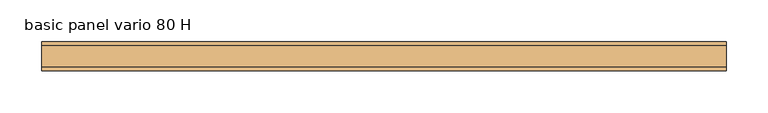
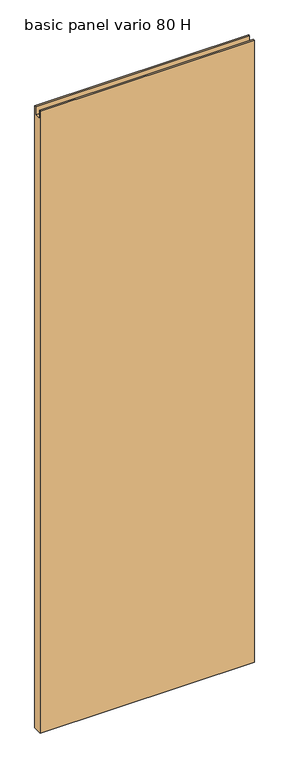
"""IFC4 building model written with IfcOpenShell, lengths in millimetres: door geometry, basic panel vario 80 H."""

from ifc_helpers import new_model, si_unit, frame, origin, place, context, project, spatial, polyline, outline, extrude, source, transform, mapped, element, save


def basic_panel_vario_80_h_05956d6a(model_context):
    return source(origin(), model_context, "Body", "SweptSolid", [
        extrude(outline(polyline([(17.5, 11.0), (-17.5, 11.0), (-17.5, 2532.0), (-13.0, 2532.0), (-13.0, 2498.0), (13.0, 2498.0), (13.0, 2532.0), (17.5, 2532.0), (17.5, 11.0)])), frame((-411.0, 0.0, 0.0), z_axis=(1.0, 0.0, 0.0), x_axis=(0.0, 1.0, 0.0)), (0.0, 0.0, 1.0), 822.0),
    ])


if __name__ == "__main__":
    model = new_model("IFC4")
    model_context = context("Model", 3, world=origin())
    ifc_project = project(units=[si_unit("LENGTHUNIT", "METRE", prefix="MILLI")], contexts=[model_context])
    site = spatial("IfcSite", under=ifc_project)
    building = spatial("IfcBuilding", under=site)
    placement = place(None, origin())
    basic_panel_vario_80_h_shape = basic_panel_vario_80_h_05956d6a(model_context)
    element("IfcDoor", 1, ObjectType="basic panel vario 80 H", at=placement, inside=building, context=model_context, shape_type="MappedRepresentation", body=[
        mapped(basic_panel_vario_80_h_shape, transform((0.0, 0.0, 0.0), x_axis=(1.0, 0.0, 0.0), y_axis=(0.0, 1.0, 0.0), z_axis=(0.0, 0.0, 1.0))),
    ])
    save(model, "model.ifc")
